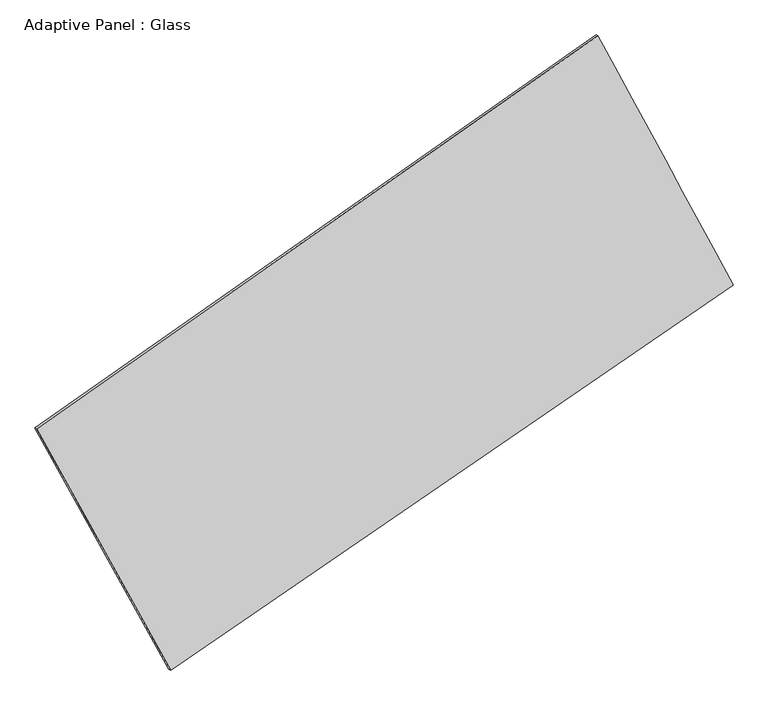
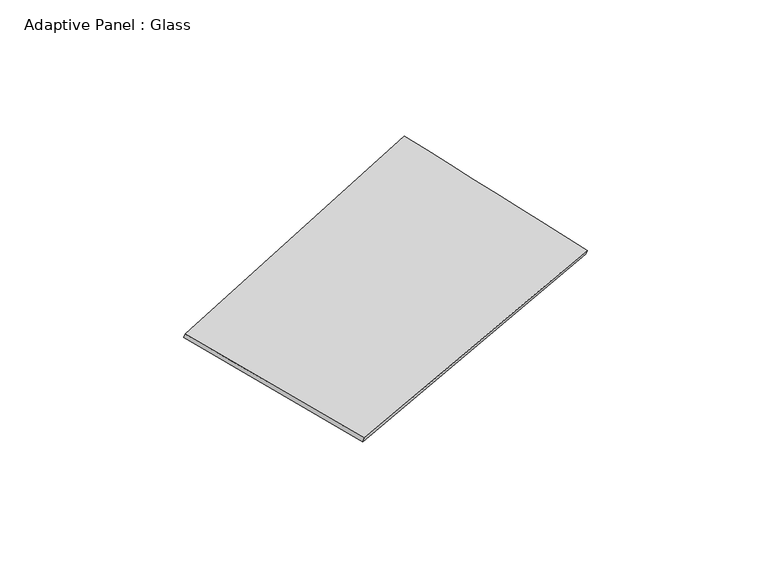
"""IFC4 building model written with IfcOpenShell, lengths in millimetres: plate geometry, Adaptive Panel : Glass."""

from ifc_helpers import new_model, si_unit, frame, origin, place, context, project, spatial, source, transform, mapped, element, save
from ifc_brep_helpers import plane_surface, spline_surface, advanced_brep


def adaptive_panel_glass_9a17dfa2(model_context):
    return source(origin(), model_context, "Body", "AdvancedBrep", [
        advanced_brep(
        [(1164.0319553, 2615.7853965, 697.4571101), (-3609.2296338, -729.2780611, 1679.3550014), (-3594.5632779, -735.6581546, 1726.7279095), (1178.6983111, 2609.4053031, 744.8300181), (-2470.9240119, -2782.4404508, 1096.6272978), (-2456.2576561, -2788.8205442, 1144.0002059), (2312.8311123, 495.6845425, 11.6831108), (2327.4974681, 489.304449, 59.0560188)],
        [
            (0, 1),
            (1, 2),
            (2, 3),
            (3, 0),
            (1, 4),
            (4, 5),
            (5, 2),
            (4, 6),
            (6, 7),
            (7, 5),
            (6, 0),
            (3, 7),
        ],
        [
            plane_surface(frame((-1222.5988392, 943.2536677, 1188.4060558), z_axis=(-0.5150054645544584, 0.8138673599340596, 0.26905258205973537), x_axis=(-0.8075486704970256, -0.5659236347215779, 0.16611918745889823))),
            plane_surface(frame((-3040.0768228, -1755.8592559, 1387.9911496), z_axis=(-0.8351000374477194, -0.5166242554300042, 0.18896376942740067), x_axis=(0.47059979591534623, -0.8488210749643536, -0.24091204781163197))),
            plane_surface(frame((-79.0464498, -1143.3779541, 554.1552043), z_axis=(0.5029881339968665, -0.8221954518370934, -0.26645370336467145), x_axis=(0.810834832061269, 0.555634195178123, -0.18389539489865794))),
            plane_surface(frame((1738.4315338, 1555.7349695, 354.5701105), z_axis=(0.836275697910305, 0.5144788321010524, -0.18961668809619542), x_axis=(-0.45824374147152863, 0.8456856376643076, 0.2735479403148352))),
            spline_surface(1, 1, [[(-3594.5632779, -735.6581546, 1726.7279095), (1178.6983111, 2609.4053031, 744.8300181)], [(-2456.2576561, -2788.8205442, 1144.0002059), (2327.4974681, 489.304449, 59.0560188)]], [2, 2], [2, 2], [0.0, 1.0], [0.0, 1.0]),
            spline_surface(1, 1, [[(2312.8311123, 495.6845425, 11.6831108), (1164.0319553, 2615.7853965, 697.4571101)], [(-2470.9240119, -2782.4404508, 1096.6272978), (-3609.2296338, -729.2780611, 1679.3550014)]], [2, 2], [2, 2], [0.0, 1.0], [0.0, 1.0]),
        ],
        [
            (0, [[1, 2, 3, 4]]),
            (1, [[5, 6, 7, -2]]),
            (2, [[8, 9, 10, -6]]),
            (3, [[11, -4, 12, -9]]),
            (4, [[-3, -7, -10, -12]]),
            (5, [[-11, -8, -5, -1]]),
        ],
    ),
    ])


if __name__ == "__main__":
    model = new_model("IFC4")
    model_context = context("Model", 3, world=origin())
    ifc_project = project(units=[si_unit("LENGTHUNIT", "METRE", prefix="MILLI")], contexts=[model_context])
    site = spatial("IfcSite", under=ifc_project)
    building = spatial("IfcBuilding", under=site)
    placement = place(None, origin())
    adaptive_panel_glass_shape = adaptive_panel_glass_9a17dfa2(model_context)
    element("IfcPlate", 1, ObjectType="Adaptive Panel : Glass", at=placement, inside=building, context=model_context, shape_type="MappedRepresentation", body=[
        mapped(adaptive_panel_glass_shape, transform((0.0, 0.0, 0.0), x_axis=(1.0, 0.0, 0.0), y_axis=(0.0, 1.0, 0.0), z_axis=(0.0, 0.0, 1.0))),
    ])
    save(model, "model.ifc")
